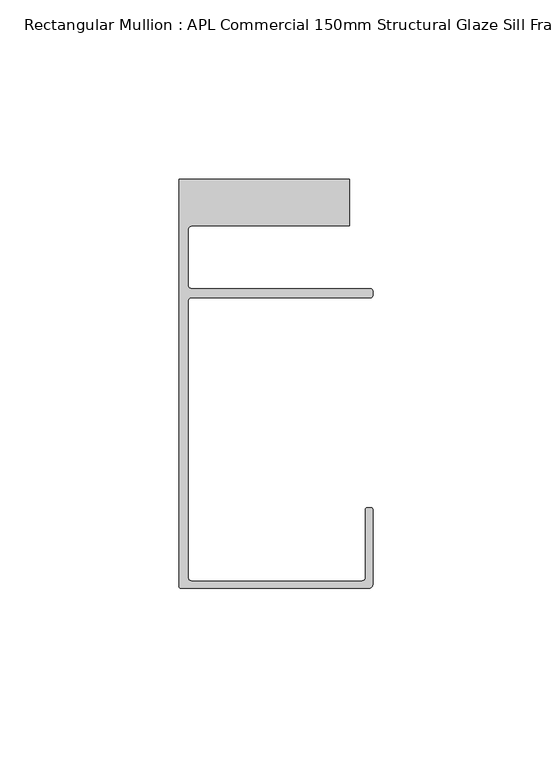
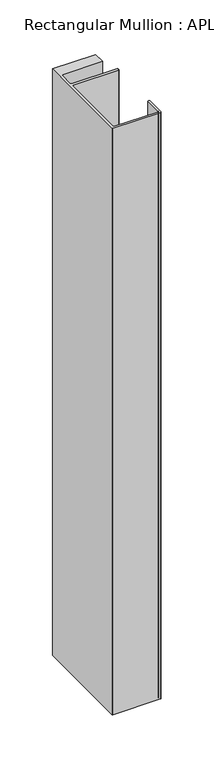
"""IFC4 building model written with IfcOpenShell, lengths in millimetres: member geometry, Rectangular Mullion : APL Commercial 150mm Structural Glaze Sill Frame (Back)."""

import ifcopenshell
import ifcopenshell.guid

model = None  # the IFC model being written
_history = None  # IfcOwnerHistory: only IFC2X3 demands one
_inside = {}  # id of a spatial element -> (the spatial element, [elements in it])
_under = {}  # id of a project, library or spatial element -> (it, [spatial elements below it])
_declared = {}  # id of a project -> (the project, [libraries it declares])
_typed = {}  # id of a type object -> (the type object, [elements of that type])
_made_of = {}  # id of a material, layer set ... -> (it, [elements and type objects made of it])


def new_model(schema):
    """Start an empty IFC model of exactly this schema.

    Asked for "IFC4X3", IfcOpenShell would pick the latest addendum, in which some entities
    have other attributes; the version numbers below select the first issue.
    IFC2X3 requires an IfcOwnerHistory on every rooted entity: one is made here for all.
    """
    global model, _history
    if schema == "IFC4X3":
        model = ifcopenshell.file(schema_version=(4, 3, 0, 0))
    else:
        model = ifcopenshell.file(schema=schema)
    _inside.clear()
    _under.clear()
    _declared.clear()
    _typed.clear()
    _made_of.clear()
    _history = None
    if model.schema == "IFC2X3":
        org = make("IfcOrganization", Name="unknown")
        user = make(
            "IfcPersonAndOrganization",
            ThePerson=make("IfcPerson", FamilyName="unknown"),
            TheOrganization=org,
        )
        app = make(
            "IfcApplication",
            ApplicationDeveloper=org,
            Version="unknown",
            ApplicationFullName="unknown",
            ApplicationIdentifier="unknown",
        )
        _history = make(
            "IfcOwnerHistory",
            OwningUser=user,
            OwningApplication=app,
            ChangeAction="ADDED",
            CreationDate=0,
        )
    return model


def make(cls, **values):
    """One entity of the class cls with the attributes given. An attribute that is None is left unset."""
    return model.create_entity(
        cls, **{name: value for name, value in values.items() if value is not None}
    )


def rooted(cls, **values):
    """An entity with a GlobalId (a new one), such as an element, a storey or a relation."""
    return make(cls, GlobalId=ifcopenshell.guid.new(), OwnerHistory=_history, **values)


def si_unit(unit_type, name, prefix=None):
    """IfcSIUnit, for example si_unit("LENGTHUNIT", "METRE", prefix="MILLI")."""
    return make("IfcSIUnit", UnitType=unit_type, Prefix=prefix, Name=name)


def assignment(units):
    """IfcUnitAssignment: the units of a project."""
    return None if units is None else make("IfcUnitAssignment", Units=units)


def point(xyz):
    """IfcCartesianPoint."""
    return None if xyz is None else make("IfcCartesianPoint", Coordinates=xyz)


def direction(xyz):
    """IfcDirection."""
    return None if xyz is None else make("IfcDirection", DirectionRatios=xyz)


def frame(location, z_axis=None, x_axis=None):
    """IfcAxis2Placement3D, a coordinate frame: its origin and axes. An axis left out is left unset."""
    return make(
        "IfcAxis2Placement3D",
        Location=point(location),
        Axis=direction(z_axis),
        RefDirection=direction(x_axis),
    )


def origin():
    """The frame at (0, 0, 0) with its axes left unset."""
    return frame((0.0, 0.0, 0.0))


def place(relative_to, where):
    """IfcLocalPlacement: puts the frame where relative to a parent placement (None: the world)."""
    return make(
        "IfcLocalPlacement", PlacementRelTo=relative_to, RelativePlacement=where
    )


def context(
    kind, dimensions, precision=None, world=None, true_north=None, identifier=None
):
    """IfcGeometricRepresentationContext, for example the 3D "Model" context."""
    return make(
        "IfcGeometricRepresentationContext",
        ContextIdentifier=identifier,
        ContextType=kind,
        CoordinateSpaceDimension=dimensions,
        Precision=precision,
        WorldCoordinateSystem=world,
        TrueNorth=true_north,
    )


def project(units=None, contexts=None):
    """IfcProject with its units and contexts."""
    return rooted(
        "IfcProject",
        Name="project",
        RepresentationContexts=contexts,
        UnitsInContext=assignment(units),
    )


def spatial(cls, under=None, at=None, **own):
    """A site, building, storey or space (cls), placed at a placement, below another one or the project."""
    s = rooted(cls, ObjectPlacement=at, **own)
    if under is not None:
        _under.setdefault(under.id(), (under, []))[1].append(s)
    return s


def polyline(points):
    """IfcPolyline through the points."""
    return make("IfcPolyline", Points=[point(p) for p in points])


def circle_curve(where, radius):
    """IfcCircle in the frame where."""
    return make("IfcCircle", Position=where, Radius=radius)


def shape(context_of_items, identifier, shape_type, items):
    """IfcShapeRepresentation: the items that make up one representation, for example the "Body"."""
    return make(
        "IfcShapeRepresentation",
        ContextOfItems=context_of_items,
        RepresentationIdentifier=identifier,
        RepresentationType=shape_type,
        Items=items,
    )


def source(mapping_origin, context_of_items, identifier, shape_type, items):
    """IfcRepresentationMap: a shape defined once, which mapped items show again and again."""
    return make(
        "IfcRepresentationMap",
        MappingOrigin=mapping_origin,
        MappedRepresentation=shape(context_of_items, identifier, shape_type, items),
    )


def transform(
    local_origin,
    x_axis=None,
    y_axis=None,
    z_axis=None,
    scale=None,
    scale2=None,
    scale3=None,
    uniform=True,
):
    """IfcCartesianTransformationOperator3D, or its non-uniform kind. x_axis, y_axis, z_axis: its Axis1, 2, 3."""
    if uniform:
        return make(
            "IfcCartesianTransformationOperator3D",
            Axis1=direction(x_axis),
            Axis2=direction(y_axis),
            LocalOrigin=point(local_origin),
            Scale=scale,
            Axis3=direction(z_axis),
        )
    return make(
        "IfcCartesianTransformationOperator3DnonUniform",
        Axis1=direction(x_axis),
        Axis2=direction(y_axis),
        LocalOrigin=point(local_origin),
        Scale=scale,
        Axis3=direction(z_axis),
        Scale2=scale2,
        Scale3=scale3,
    )


def mapped(mapping_source, mapping_target):
    """IfcMappedItem: shows the shape of a source again, moved by a transform."""
    return make(
        "IfcMappedItem", MappingSource=mapping_source, MappingTarget=mapping_target
    )


def made_of(thing, what):
    """Note that an element or type object is made of a material, layer set ...; save() writes the relation."""
    if what is not None:
        _made_of.setdefault(what.id(), (what, []))[1].append(thing)
    return thing


def element(
    cls,
    number,
    at=None,
    inside=None,
    cuts=None,
    type_object=None,
    material=None,
    context=None,
    identifier="Body",
    shape_type=None,
    held_by="IfcProductDefinitionShape",
    body=None,
    shapes=None,
    **own,
):
    """One element of the class cls, such as IfcWall. Its Tag is "e" and its number.

    at: its placement. inside: the storey or other place that contains it. cuts: it is an
    opening in that element (IfcRelVoidsElement). A single representation is given by context,
    identifier, shape_type and body (its items); several are given by shapes. held_by: the class
    of the entity that holds the representations. save() writes the other relations.
    """
    e = rooted(cls, Tag="e%d" % number, ObjectPlacement=at, **own)
    if body is not None:
        shapes = [shape(context, identifier, shape_type, body)]
    if shapes is not None:
        e.Representation = make(held_by, Representations=shapes)
    if inside is not None:
        _inside.setdefault(inside.id(), (inside, []))[1].append(e)
    if cuts is not None:
        rooted(
            "IfcRelVoidsElement", RelatingBuildingElement=cuts, RelatedOpeningElement=e
        )
    if type_object is not None:
        _typed.setdefault(type_object.id(), (type_object, []))[1].append(e)
    return made_of(e, material)


def aggregate(whole, parts):
    """IfcRelAggregates: a whole, such as a stair, and the parts it consists of."""
    return rooted("IfcRelAggregates", RelatingObject=whole, RelatedObjects=parts)


def save(model, path):
    """Write the relations noted so far, then the file.

    IfcRelAggregates (storeys below a building ...), IfcRelContainedInSpatialStructure (elements
    in a storey), IfcRelDefinesByType, IfcRelAssociatesMaterial and IfcRelDeclares: one each for
    every whole, place, type object, material and project.
    """
    for whole, parts in _under.values():
        aggregate(whole, parts)
    for where, things in _inside.values():
        rooted(
            "IfcRelContainedInSpatialStructure",
            RelatedElements=things,
            RelatingStructure=where,
        )
    for kind, things in _typed.values():
        rooted("IfcRelDefinesByType", RelatedObjects=things, RelatingType=kind)
    for what, things in _made_of.values():
        rooted("IfcRelAssociatesMaterial", RelatedObjects=things, RelatingMaterial=what)
    for by, libraries in _declared.values():
        rooted("IfcRelDeclares", RelatingContext=by, RelatedDefinitions=libraries)
    model.write(path)


def plane_surface(at):
    """IfcPlane: the flat surface through the origin of the frame at, square to its z axis."""
    return make("IfcPlane", Position=at)


def cylinder_surface(at, radius):
    """IfcCylindricalSurface: all points at the distance radius from the z axis of the frame at."""
    return make("IfcCylindricalSurface", Position=at, Radius=radius)


def revolved_surface(curve, axis_point, axis_direction):
    """IfcSurfaceOfRevolution: the curve turned about the line through axis_point along axis_direction."""
    return make(
        "IfcSurfaceOfRevolution",
        SweptCurve=make("IfcArbitraryOpenProfileDef", ProfileType="CURVE", Curve=curve),
        AxisPosition=make("IfcAxis1Placement", Location=point(axis_point), Axis=direction(axis_direction)),
    )


def advanced_brep(points, edges, surfaces, faces):
    """IfcAdvancedBrep: a solid bounded by faces that lie on surfaces and meet in shared edges.

    An edge is (start, end): straight between two places in points (the first is 0);
    or (start, end, curve); or (start, end, curve, False) where it runs against its curve.
    A face is (place in surfaces, loops), or (place, loops, False) where it looks against
    its surface's normal. A loop lists edges by number (the first is 1), with a minus sign
    where the edge is run from its end to its start. The first loop is the outer one.
    """
    corners = [point(p) for p in points]
    vertices = [make("IfcVertexPoint", VertexGeometry=c) for c in corners]
    made = []
    for start, end, *more in edges:
        made.append(
            make(
                "IfcEdgeCurve",
                EdgeStart=vertices[start],
                EdgeEnd=vertices[end],
                EdgeGeometry=more[0] if more else make("IfcPolyline", Points=[corners[start], corners[end]]),
                SameSense=more[1] if len(more) > 1 else True,
            )
        )
    hull = []
    for where, loops, *sense in faces:
        bounds = []
        for j, loop in enumerate(loops):
            ring = [make("IfcOrientedEdge", EdgeElement=made[abs(k) - 1], Orientation=k > 0) for k in loop]
            bounds.append(
                make(
                    "IfcFaceOuterBound" if j == 0 else "IfcFaceBound",
                    Bound=make("IfcEdgeLoop", EdgeList=ring),
                    Orientation=True,
                )
            )
        hull.append(make("IfcAdvancedFace", Bounds=bounds, FaceSurface=surfaces[where], SameSense=sense[0] if sense else True))
    return make("IfcAdvancedBrep", Outer=make("IfcClosedShell", CfsFaces=hull))


def rectangular_mullion_apl_commercial_150mm_structural_glaze_bf48f9d2(model_context):
    return source(origin(), model_context, "Body", "AdvancedBrep", [
        advanced_brep(
        [(-53.5000083, -129.0001071, 0.0), (-1.0000079, -129.0001071, 0.0), (-7.9e-06, -128.0001071, 0.0), (0.0, -107.0001071, 0.0), (-0.5, -106.5001071, 0.0), (-1.4999822, -106.5001071, 0.0), (-1.9999822, -107.0001071, 0.0), (-1.9999982, -126.0001071, 0.0), (-2.9999982, -127.0001071, 0.0), (-50.5000083, -127.00011, 0.0), (-51.5000083, -126.00011, 0.0), (-51.5000225, -48.9999541, 0.0), (-50.482081, -48.000115, 0.0), (-0.5000012, -48.000115, 0.0), (-5.4e-06, -47.5021598, 0.0), (-5.4e-06, -46.0213357, 0.0), (-0.521387, -45.4999541, 0.0), (-50.500032, -45.4999541, 0.0), (-51.500032, -44.4999541, 0.0), (-51.500032, -29.0004332, 0.0), (-50.500032, -28.0004332, 0.0), (-6.5000083, -28.0004332, 0.0), (-6.5000083, -15.0004332, 0.0), (-54.0000083, -15.0004332, 0.0), (-54.0000083, -128.5001071, 0.0), (-53.5000083, -129.0001071, -680.5785324), (-54.0000083, -128.5001071, -680.5785324), (-54.0000083, -15.0004332, -680.5785324), (-6.5000083, -15.0004332, -680.5785324), (-6.5000083, -28.0004332, -680.5785324), (-50.500032, -28.0004332, -680.5785324), (-51.500032, -29.0004332, -680.5785324), (-51.500032, -44.4999541, -680.5785324), (-50.500032, -45.4999541, -680.5785324), (-0.521387, -45.4999541, -680.5785324), (-5.4e-06, -46.0213357, -680.5785324), (-5.4e-06, -47.5021598, -680.5785324), (-0.5000012, -48.000115, -680.5785324), (-50.482081, -48.000115, -680.5785324), (-51.5000225, -48.9999541, -680.5785324), (-51.5000225, -126.00011, -680.5785324), (-50.5000083, -127.00011, -680.5785324), (-2.9999982, -127.00011, -680.5785324), (-1.9999982, -126.0001071, -680.5785324), (-1.9999982, -107.0001071, -680.5785324), (-1.4999822, -106.5001071, -680.5785324), (-0.5, -106.5001071, -680.5785324), (0.0, -107.0001071, -680.5785324), (0.0, -128.0001071, -680.5785324), (-1.0000079, -129.0001071, -680.5785324)],
        [
            (0, 1),
            (1, 2, circle_curve(frame((-1.0000079, -128.0001071, 0.0), z_axis=(0.0, 0.0, 1.0), x_axis=(0.9999999999996143, -8.78371761103865e-07, 0.0)), 1.0)),
            (2, 3),
            (3, 4, circle_curve(frame((-0.5, -107.0001071, 0.0), z_axis=(0.0, 0.0, 1.0), x_axis=(0.0, 1.0, 0.0)), 0.5)),
            (4, 5),
            (5, 6, circle_curve(frame((-1.4999822, -107.0001071, 0.0), z_axis=(0.0, 0.0, 1.0), x_axis=(-1.0, 1.039279773351609e-08, 0.0)), 0.5)),
            (6, 7),
            (7, 8, circle_curve(frame((-2.9999982, -126.0001071, 0.0), z_axis=(0.0, 0.0, -1.0), x_axis=(0.0, -1.0, 0.0)), 1.0)),
            (8, 9),
            (9, 10, circle_curve(frame((-50.5000083, -126.00011, 0.0), z_axis=(0.0, 0.0, -1.0), x_axis=(-1.0, -3.636202450239078e-12, 0.0)), 1.0)),
            (10, 11),
            (11, 12, circle_curve(frame((-50.5000225, -48.9999541, 0.0), z_axis=(0.0, 0.0, -1.0), x_axis=(3.5344775231070867e-06, 0.9999999999937538, 0.0)), 1.0)),
            (12, 13),
            (13, 14, circle_curve(frame((-0.5000012, -47.500115, 0.0), z_axis=(0.0, 0.0, 1.0), x_axis=(0.9999999999999991, 4.5120271963110614e-08, 0.0)), 0.5)),
            (14, 15),
            (15, 16, circle_curve(frame((-0.521387, -46.0213357, 0.0), z_axis=(0.0, 0.0, 1.0), x_axis=(-1.0, 0.0, 0.0)), 0.5213816)),
            (16, 17),
            (17, 18, circle_curve(frame((-50.500032, -44.4999541, 0.0), z_axis=(0.0, 0.0, -1.0), x_axis=(-0.9999999999998819, -4.863123717036027e-07, 0.0)), 1.0)),
            (18, 19),
            (19, 20, circle_curve(frame((-50.500032, -29.0004332, 0.0), z_axis=(0.0, 0.0, -1.0), x_axis=(0.0, 1.0, 0.0)), 1.0)),
            (20, 21),
            (21, 22),
            (22, 23),
            (23, 24),
            (24, 0, circle_curve(frame((-53.5000083, -128.5001071, 0.0), z_axis=(0.0, 0.0, 1.0), x_axis=(0.0, -1.0, 0.0)), 0.5)),
            (25, 26, circle_curve(frame((-53.5000083, -128.5001071, -680.5785324), z_axis=(0.0, 0.0, -1.0), x_axis=(0.0, -1.0, 0.0)), 0.5)),
            (26, 27),
            (27, 28),
            (28, 29),
            (29, 30),
            (30, 31, circle_curve(frame((-50.500032, -29.0004332, -680.5785324), z_axis=(0.0, 0.0, 1.0), x_axis=(0.0, 1.0, 0.0)), 1.0)),
            (31, 32),
            (32, 33, circle_curve(frame((-50.500032, -44.4999541, -680.5785324), z_axis=(0.0, 0.0, 1.0), x_axis=(-0.9999999999998819, -4.863123717036027e-07, 0.0)), 1.0)),
            (33, 34),
            (34, 35, circle_curve(frame((-0.521387, -46.0213357, -680.5785324), z_axis=(0.0, 0.0, -1.0), x_axis=(-1.0, 0.0, 0.0)), 0.5213816)),
            (35, 36),
            (36, 37, circle_curve(frame((-0.5000012, -47.500115, -680.5785324), z_axis=(0.0, 0.0, -1.0), x_axis=(0.9999999999999991, 4.5120271963110614e-08, 0.0)), 0.5)),
            (37, 38),
            (38, 39, circle_curve(frame((-50.5000225, -48.9999541, -680.5785324), z_axis=(0.0, 0.0, 1.0), x_axis=(3.5344775231070867e-06, 0.9999999999937538, 0.0)), 1.0)),
            (39, 40),
            (40, 41, circle_curve(frame((-50.5000083, -126.00011, -680.5785324), z_axis=(0.0, 0.0, 1.0), x_axis=(-1.0, -3.636202450239078e-12, 0.0)), 1.0)),
            (41, 42),
            (42, 43, circle_curve(frame((-2.9999982, -126.0001071, -680.5785324), z_axis=(0.0, 0.0, 1.0), x_axis=(0.0, -1.0, 0.0)), 1.0)),
            (43, 44),
            (44, 45, circle_curve(frame((-1.4999822, -107.0001071, -680.5785324), z_axis=(0.0, 0.0, -1.0), x_axis=(-1.0, 1.039279773351609e-08, 0.0)), 0.5)),
            (45, 46),
            (46, 47, circle_curve(frame((-0.5, -107.0001071, -680.5785324), z_axis=(0.0, 0.0, -1.0), x_axis=(0.0, 1.0, 0.0)), 0.5)),
            (47, 48),
            (48, 49, circle_curve(frame((-1.0000079, -128.0001071, -680.5785324), z_axis=(0.0, 0.0, -1.0), x_axis=(0.9999999999996143, -8.78371761103865e-07, 0.0)), 1.0)),
            (49, 25),
            (0, 25),
            (49, 1),
            (48, 2),
            (47, 3),
            (46, 4),
            (45, 5),
            (44, 6),
            (43, 7),
            (42, 8),
            (41, 9),
            (40, 10),
            (39, 11),
            (38, 12),
            (37, 13),
            (36, 14),
            (35, 15),
            (34, 16),
            (33, 17),
            (32, 18),
            (31, 19),
            (30, 20),
            (29, 21),
            (28, 22),
            (27, 23),
            (26, 24),
        ],
        [
            plane_surface(frame((0.0, -139.6548314, 0.0), z_axis=(0.0, 0.0, 1.0), x_axis=(-1.0, 0.0, 0.0))),
            plane_surface(frame((0.0, -139.6548314, -680.5785324), z_axis=(0.0, 0.0, -1.0), x_axis=(-1.0, 0.0, 0.0))),
            plane_surface(frame((-53.5000083, -129.0001071, 0.0), z_axis=(0.0, -1.0, 0.0), x_axis=(0.0, 0.0, -1.0))),
            cylinder_surface(frame((-1.0000079, -128.0001071, 0.0), z_axis=(0.0, 0.0, 1.0000000000000002), x_axis=(0.9999999999996143, -8.78371761103865e-07, 0.0)), 1.0),
            plane_surface(frame((0.0, -128.0001071, 0.0), z_axis=(1.0, 0.0, 0.0), x_axis=(0.0, 0.0, -1.0))),
            cylinder_surface(frame((-0.5, -107.0001071, 0.0), z_axis=(0.0, 0.0, 1.0), x_axis=(0.0, 1.0, 0.0)), 0.5),
            plane_surface(frame((-0.5, -106.5001071, 0.0), z_axis=(0.0, 1.0, 0.0), x_axis=(0.0, 0.0, -1.0))),
            cylinder_surface(frame((-1.4999822, -107.0001071, 0.0), z_axis=(0.0, 0.0, 1.0), x_axis=(-1.0, 1.039279773351609e-08, 0.0)), 0.5),
            plane_surface(frame((-1.9999982, -107.0001071, 0.0), z_axis=(-1.0, 0.0, 0.0), x_axis=(0.0, 0.0, -1.0))),
            revolved_surface(polyline([(-2.9999982, -127.0001071, -680.5785324), (-2.9999982, -127.0001071, 0.0)]), (-2.9999982, -126.0001071, 0.0), (0.0, 0.0, -1.0)),
            plane_surface(frame((-2.9999982, -127.00011, 0.0), z_axis=(0.0, 1.0, 0.0), x_axis=(0.0, 0.0, -1.0))),
            revolved_surface(polyline([(-51.5000083, -126.00011000000364, -680.5785324), (-51.5000083, -126.00011000000364, 0.0)]), (-50.5000083, -126.00011, 0.0), (0.0, 0.0, -1.0)),
            plane_surface(frame((-51.5000225, -126.00011, 0.0), z_axis=(1.0, 0.0, 0.0), x_axis=(0.0, 0.0, -1.0))),
            revolved_surface(polyline([(-50.50001896552248, -47.99995410000624, -680.5785324), (-50.50001896552248, -47.99995410000624, 0.0)]), (-50.5000225, -48.9999541, 0.0), (0.0, 0.0, -1.0)),
            plane_surface(frame((-50.482081, -48.000115, 0.0), z_axis=(0.0, -1.0, 0.0), x_axis=(0.0, 0.0, -1.0))),
            cylinder_surface(frame((-0.5000012, -47.500115, 0.0), z_axis=(0.0, 0.0, 1.0000000000000002), x_axis=(0.9999999999999991, 4.5120271963110614e-08, 0.0)), 0.5),
            plane_surface(frame((-5.4e-06, -47.5021598, 0.0), z_axis=(1.0, 0.0, 0.0), x_axis=(0.0, 0.0, -1.0))),
            cylinder_surface(frame((-0.521387, -46.0213357, 0.0), z_axis=(0.0, 0.0, 1.0), x_axis=(-1.0, 0.0, 0.0)), 0.5213816),
            plane_surface(frame((-0.521387, -45.4999541, 0.0), z_axis=(0.0, 1.0, 0.0), x_axis=(0.0, 0.0, -1.0))),
            revolved_surface(polyline([(-51.50003199999988, -44.49995458631237, -680.5785324000002), (-51.50003199999988, -44.49995458631237, 0.0)]), (-50.500032, -44.4999541, 0.0), (0.0, 0.0, -1.0000000000000002)),
            plane_surface(frame((-51.500032, -44.4999541, 0.0), z_axis=(1.0, 0.0, 0.0), x_axis=(0.0, 0.0, -1.0))),
            revolved_surface(polyline([(-50.500032, -28.0004332, -680.5785324), (-50.500032, -28.0004332, 0.0)]), (-50.500032, -29.0004332, 0.0), (0.0, 0.0, -1.0)),
            plane_surface(frame((-50.500032, -28.0004332, 0.0), z_axis=(0.0, -1.0, 0.0), x_axis=(0.0, 0.0, -1.0))),
            plane_surface(frame((-6.5000083, -28.0004332, 0.0), z_axis=(1.0, 0.0, 0.0), x_axis=(0.0, 0.0, -1.0))),
            plane_surface(frame((-6.5000083, -15.0004332, 0.0), z_axis=(0.0, 1.0, 0.0), x_axis=(0.0, 0.0, -1.0))),
            plane_surface(frame((-54.0000083, -15.0004332, 0.0), z_axis=(-1.0, 0.0, 0.0), x_axis=(0.0, 0.0, -1.0))),
            cylinder_surface(frame((-53.5000083, -128.5001071, 0.0), z_axis=(0.0, 0.0, 1.0), x_axis=(0.0, -1.0, 0.0)), 0.5),
        ],
        [
            (0, [[1, 2, 3, 4, 5, 6, 7, 8, 9, 10, 11, 12, 13, 14, 15, 16, 17, 18, 19, 20, 21, 22, 23, 24, 25]]),
            (1, [[26, 27, 28, 29, 30, 31, 32, 33, 34, 35, 36, 37, 38, 39, 40, 41, 42, 43, 44, 45, 46, 47, 48, 49, 50]]),
            (2, [[-1, 51, -50, 52]]),
            (3, [[-2, -52, -49, 53]]),
            (4, [[-3, -53, -48, 54]]),
            (5, [[-4, -54, -47, 55]]),
            (6, [[-5, -55, -46, 56]]),
            (7, [[-6, -56, -45, 57]]),
            (8, [[-7, -57, -44, 58]]),
            (9, [[-8, -58, -43, 59]]),
            (10, [[-9, -59, -42, 60]]),
            (11, [[-10, -60, -41, 61]]),
            (12, [[-11, -61, -40, 62]]),
            (13, [[-12, -62, -39, 63]]),
            (14, [[-13, -63, -38, 64]]),
            (15, [[-14, -64, -37, 65]]),
            (16, [[-15, -65, -36, 66]]),
            (17, [[-16, -66, -35, 67]]),
            (18, [[-17, -67, -34, 68]]),
            (19, [[-18, -68, -33, 69]]),
            (20, [[-19, -69, -32, 70]]),
            (21, [[-20, -70, -31, 71]]),
            (22, [[-21, -71, -30, 72]]),
            (23, [[-22, -72, -29, 73]]),
            (24, [[-23, -73, -28, 74]]),
            (25, [[-24, -74, -27, 75]]),
            (26, [[-25, -75, -26, -51]]),
        ],
    ),
    ])


if __name__ == "__main__":
    model = new_model("IFC4")
    model_context = context("Model", 3, world=origin())
    ifc_project = project(units=[si_unit("LENGTHUNIT", "METRE", prefix="MILLI")], contexts=[model_context])
    site = spatial("IfcSite", under=ifc_project)
    building = spatial("IfcBuilding", under=site)
    placement = place(None, origin())
    rectangular_mullion_apl_commercial_150mm_structural_glaze_shape = rectangular_mullion_apl_commercial_150mm_structural_glaze_bf48f9d2(model_context)
    element("IfcMember", 1, ObjectType="Rectangular Mullion : APL Commercial 150mm Structural Glaze Sill Frame (Back)", at=placement, inside=building, context=model_context, shape_type="MappedRepresentation", body=[
        mapped(rectangular_mullion_apl_commercial_150mm_structural_glaze_shape, transform((0.0, 0.0, 0.0), x_axis=(1.0, 0.0, 0.0), y_axis=(0.0, 1.0, 0.0), z_axis=(0.0, 0.0, 1.0))),
    ])
    save(model, "model.ifc")
